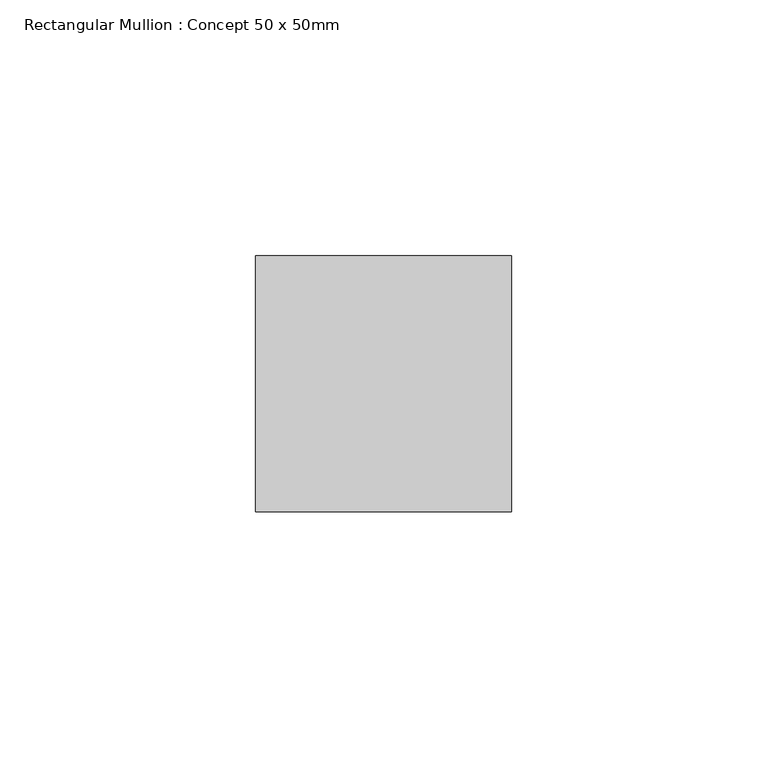
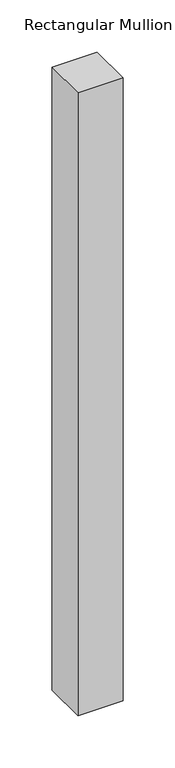
"""IFC4 building model written with IfcOpenShell, lengths in millimetres: member geometry, Rectangular Mullion : Concept 50 x 50mm."""

from ifc_helpers import new_model, si_unit, frame, origin, place, context, project, spatial, polyline, outline, extrude, source, transform, mapped, element, save


def rectangular_mullion_concept_50_x_50mm_77bda07b(model_context):
    return source(origin(), model_context, "Body", "SweptSolid", [
        extrude(outline(polyline([(0.0, 50.0), (0.0, 0.0), (-50.0, 0.0), (-50.0, 50.0), (0.0, 50.0)])), frame((0.0, 0.0, -730.0), z_axis=(0.0, 0.0, 1.0), x_axis=(1.0, 0.0, 0.0)), (0.0, 0.0, 1.0), 730.0),
    ])


if __name__ == "__main__":
    model = new_model("IFC4")
    model_context = context("Model", 3, world=origin())
    ifc_project = project(units=[si_unit("LENGTHUNIT", "METRE", prefix="MILLI")], contexts=[model_context])
    site = spatial("IfcSite", under=ifc_project)
    building = spatial("IfcBuilding", under=site)
    placement = place(None, origin())
    rectangular_mullion_concept_50_x_50mm_shape = rectangular_mullion_concept_50_x_50mm_77bda07b(model_context)
    element("IfcMember", 1, ObjectType="Rectangular Mullion : Concept 50 x 50mm", at=placement, inside=building, context=model_context, shape_type="MappedRepresentation", body=[
        mapped(rectangular_mullion_concept_50_x_50mm_shape, transform((0.0, 0.0, 0.0), x_axis=(1.0, 0.0, 0.0), y_axis=(0.0, 1.0, 0.0), z_axis=(0.0, 0.0, 1.0))),
    ])
    save(model, "model.ifc")
